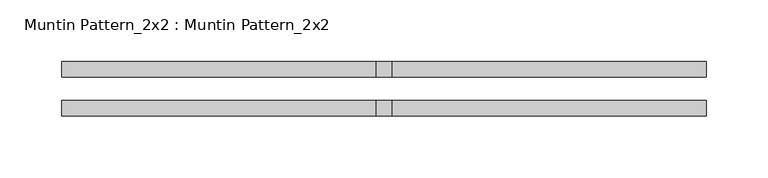
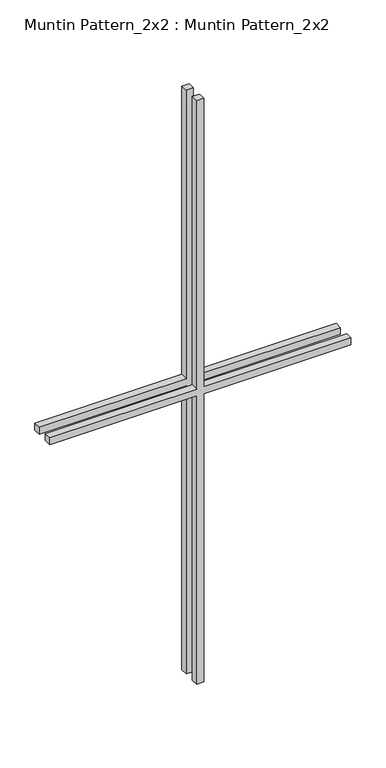
"""IFC4 building model written with IfcOpenShell, lengths in millimetres: proxy geometry, Muntin Pattern_2x2 : Muntin Pattern_2x2."""

from ifc_helpers import new_model, si_unit, frame, origin, place, context, project, spatial, polyline, outline, extrude, source, transform, mapped, element, save


def muntin_pattern_2x2_muntin_pattern_2x2_cf37b409(model_context):
    return source(origin(), model_context, "Body", "SweptSolid", [
        extrude(outline(polyline([(542.925, -6.35), (542.925, -261.9375), (530.225, -261.9375), (530.225, -6.35), (0.0, -6.35), (0.0, 6.35), (530.225, 6.35), (530.225, 261.9375), (542.925, 261.9375), (542.925, 6.35), (1073.15, 6.35), (1073.15, -6.35), (542.925, -6.35)])), frame((0.0, 9.525, 0.0), z_axis=(0.0, 1.0, 0.0), x_axis=(0.0, 0.0, 1.0)), (0.0, 0.0, 1.0), 12.7),
        extrude(outline(polyline([(542.925, -6.35), (542.925, -261.9375), (530.225, -261.9375), (530.225, -6.35), (0.0, -6.35), (0.0, 6.35), (530.225, 6.35), (530.225, 261.9375), (542.925, 261.9375), (542.925, 6.35), (1073.15, 6.35), (1073.15, -6.35), (542.925, -6.35)])), frame((0.0, -22.225, 0.0), z_axis=(0.0, 1.0, 0.0), x_axis=(0.0, 0.0, 1.0)), (0.0, 0.0, 1.0), 12.7),
    ])


if __name__ == "__main__":
    model = new_model("IFC4")
    model_context = context("Model", 3, world=origin())
    ifc_project = project(units=[si_unit("LENGTHUNIT", "METRE", prefix="MILLI")], contexts=[model_context])
    site = spatial("IfcSite", under=ifc_project)
    building = spatial("IfcBuilding", under=site)
    placement = place(None, origin())
    muntin_pattern_2x2_muntin_pattern_2x2_shape = muntin_pattern_2x2_muntin_pattern_2x2_cf37b409(model_context)
    element("IfcBuildingElementProxy", 1, Name="Muntin Pattern_2x2 : Muntin Pattern_2x2", ObjectType="Muntin Pattern_2x2 : Muntin Pattern_2x2", at=placement, inside=building, context=model_context, shape_type="MappedRepresentation", body=[
        mapped(muntin_pattern_2x2_muntin_pattern_2x2_shape, transform((0.0, 0.0, 0.0), x_axis=(1.0, 0.0, 0.0), y_axis=(0.0, 1.0, 0.0), z_axis=(0.0, 0.0, 1.0))),
    ])
    save(model, "model.ifc")
